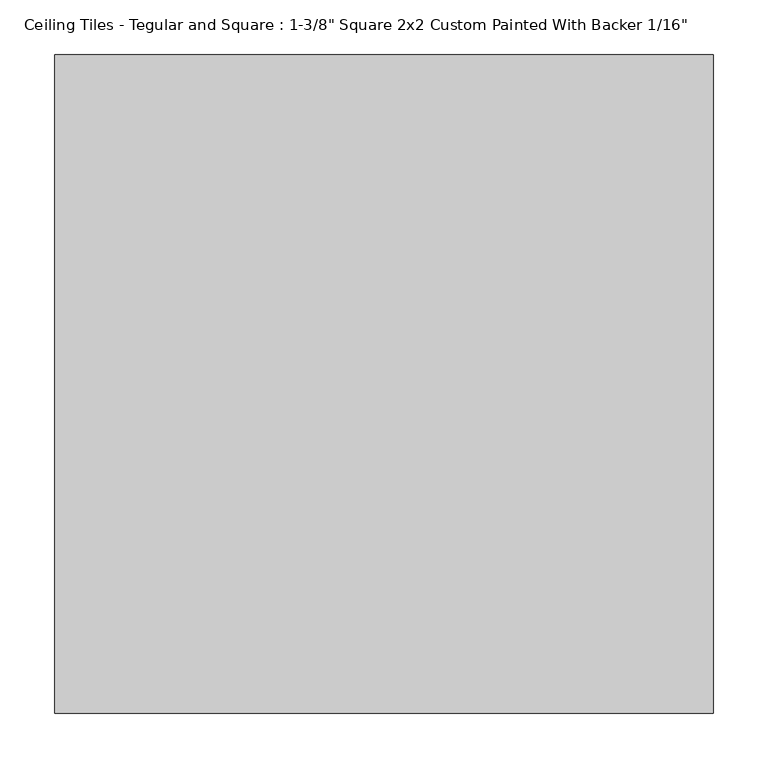
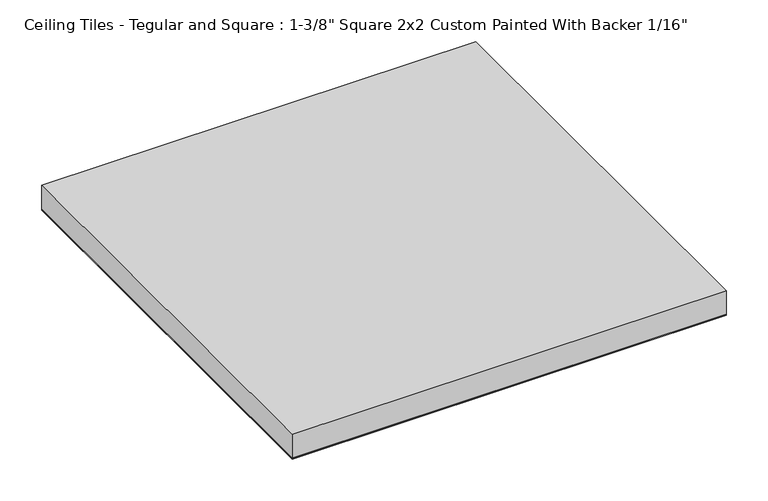
"""IFC4 building model written with IfcOpenShell, lengths in millimetres: proxy geometry."""

from ifc_helpers import new_model, si_unit, frame, origin, origin_with_axes, place, context, project, spatial, polyline, outline, extrude, source, transform, mapped, element, save


def proxy_bee8192a(model_context):
    return source(origin(), model_context, "Body", "SweptSolid", [
        extrude(outline(polyline([(301.625, 301.625), (301.625, -301.625), (-301.625, -301.625), (-301.625, 301.625), (301.625, 301.625)])), origin_with_axes(), (0.0, 0.0, 1.0), 1.5875),
        extrude(outline(polyline([(-301.625, 301.625), (301.625, 301.625), (301.625, -301.625), (-301.625, -301.625), (-301.625, 301.625)])), frame((0.0, 0.0, 1.5875), z_axis=(0.0, 0.0, 1.0), x_axis=(1.0, 0.0, 0.0)), (0.0, 0.0, 1.0), 34.925),
    ])


if __name__ == "__main__":
    model = new_model("IFC4")
    model_context = context("Model", 3, world=origin())
    ifc_project = project(units=[si_unit("LENGTHUNIT", "METRE", prefix="MILLI")], contexts=[model_context])
    site = spatial("IfcSite", under=ifc_project)
    building = spatial("IfcBuilding", under=site)
    placement = place(None, origin())
    proxy_shape = proxy_bee8192a(model_context)
    element("IfcBuildingElementProxy", 1, Name="Ceiling Tiles - Tegular and Square : 1-3/8\" Square 2x2 Custom Painted With Backer 1/16\"", ObjectType="Ceiling Tiles - Tegular and Square : 1-3/8\" Square 2x2 Custom Painted With Backer 1/16\"", at=placement, inside=building, context=model_context, shape_type="MappedRepresentation", body=[
        mapped(proxy_shape, transform((0.0, 0.0, 0.0), x_axis=(1.0, 0.0, 0.0), y_axis=(0.0, 1.0, 0.0), z_axis=(0.0, 0.0, 1.0))),
    ])
    save(model, "model.ifc")
